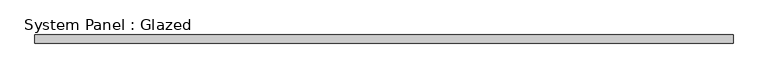
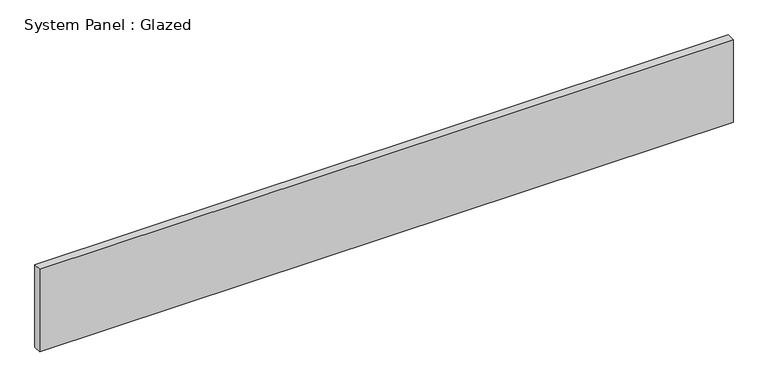
"""IFC4 building model written with IfcOpenShell, lengths in millimetres: plate geometry, System Panel : Glazed."""

from ifc_helpers import new_model, si_unit, origin, origin_with_axes, place, context, project, spatial, polyline, outline, extrude, source, transform, mapped, element, save


def system_panel_glazed_c90c613f(model_context):
    return source(origin(), model_context, "Body", "SweptSolid", [
        extrude(outline(polyline([(1085.85, 19.05), (-1085.85, 19.05), (-1085.85, 44.45), (1085.85, 44.45), (1085.85, 19.05)])), origin_with_axes(), (0.0, 0.0, 1.0), 273.05),
    ])


if __name__ == "__main__":
    model = new_model("IFC4")
    model_context = context("Model", 3, world=origin())
    ifc_project = project(units=[si_unit("LENGTHUNIT", "METRE", prefix="MILLI")], contexts=[model_context])
    site = spatial("IfcSite", under=ifc_project)
    building = spatial("IfcBuilding", under=site)
    placement = place(None, origin())
    system_panel_glazed_shape = system_panel_glazed_c90c613f(model_context)
    element("IfcPlate", 1, ObjectType="System Panel : Glazed", at=placement, inside=building, context=model_context, shape_type="MappedRepresentation", body=[
        mapped(system_panel_glazed_shape, transform((0.0, 0.0, 0.0), x_axis=(1.0, 0.0, 0.0), y_axis=(0.0, 1.0, 0.0), z_axis=(0.0, 0.0, 1.0))),
    ])
    save(model, "model.ifc")
